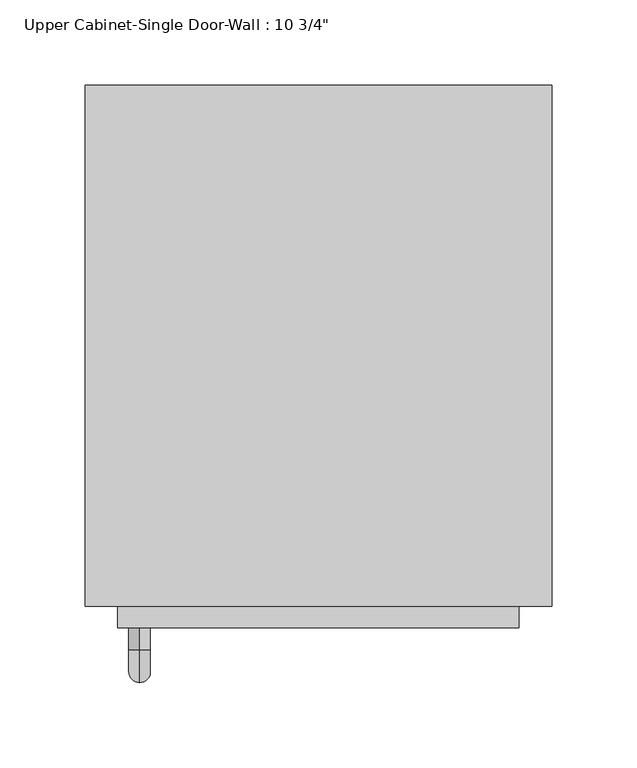
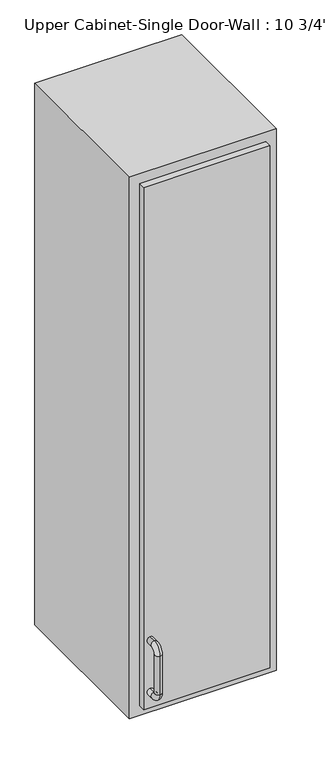
"""IFC4 building model written with IfcOpenShell, lengths in millimetres: furniture geometry."""

import ifcopenshell
import ifcopenshell.guid

model = None  # the IFC model being written
_history = None  # IfcOwnerHistory: only IFC2X3 demands one
_inside = {}  # id of a spatial element -> (the spatial element, [elements in it])
_under = {}  # id of a project, library or spatial element -> (it, [spatial elements below it])
_declared = {}  # id of a project -> (the project, [libraries it declares])
_typed = {}  # id of a type object -> (the type object, [elements of that type])
_made_of = {}  # id of a material, layer set ... -> (it, [elements and type objects made of it])


def new_model(schema):
    """Start an empty IFC model of exactly this schema.

    Asked for "IFC4X3", IfcOpenShell would pick the latest addendum, in which some entities
    have other attributes; the version numbers below select the first issue.
    IFC2X3 requires an IfcOwnerHistory on every rooted entity: one is made here for all.
    """
    global model, _history
    if schema == "IFC4X3":
        model = ifcopenshell.file(schema_version=(4, 3, 0, 0))
    else:
        model = ifcopenshell.file(schema=schema)
    _inside.clear()
    _under.clear()
    _declared.clear()
    _typed.clear()
    _made_of.clear()
    _history = None
    if model.schema == "IFC2X3":
        org = make("IfcOrganization", Name="unknown")
        user = make(
            "IfcPersonAndOrganization",
            ThePerson=make("IfcPerson", FamilyName="unknown"),
            TheOrganization=org,
        )
        app = make(
            "IfcApplication",
            ApplicationDeveloper=org,
            Version="unknown",
            ApplicationFullName="unknown",
            ApplicationIdentifier="unknown",
        )
        _history = make(
            "IfcOwnerHistory",
            OwningUser=user,
            OwningApplication=app,
            ChangeAction="ADDED",
            CreationDate=0,
        )
    return model


def make(cls, **values):
    """One entity of the class cls with the attributes given. An attribute that is None is left unset."""
    return model.create_entity(
        cls, **{name: value for name, value in values.items() if value is not None}
    )


def rooted(cls, **values):
    """An entity with a GlobalId (a new one), such as an element, a storey or a relation."""
    return make(cls, GlobalId=ifcopenshell.guid.new(), OwnerHistory=_history, **values)


def si_unit(unit_type, name, prefix=None):
    """IfcSIUnit, for example si_unit("LENGTHUNIT", "METRE", prefix="MILLI")."""
    return make("IfcSIUnit", UnitType=unit_type, Prefix=prefix, Name=name)


def assignment(units):
    """IfcUnitAssignment: the units of a project."""
    return None if units is None else make("IfcUnitAssignment", Units=units)


def point(xyz):
    """IfcCartesianPoint."""
    return None if xyz is None else make("IfcCartesianPoint", Coordinates=xyz)


def direction(xyz):
    """IfcDirection."""
    return None if xyz is None else make("IfcDirection", DirectionRatios=xyz)


def frame(location, z_axis=None, x_axis=None):
    """IfcAxis2Placement3D, a coordinate frame: its origin and axes. An axis left out is left unset."""
    return make(
        "IfcAxis2Placement3D",
        Location=point(location),
        Axis=direction(z_axis),
        RefDirection=direction(x_axis),
    )


def origin():
    """The frame at (0, 0, 0) with its axes left unset."""
    return frame((0.0, 0.0, 0.0))


def place(relative_to, where):
    """IfcLocalPlacement: puts the frame where relative to a parent placement (None: the world)."""
    return make(
        "IfcLocalPlacement", PlacementRelTo=relative_to, RelativePlacement=where
    )


def context(
    kind, dimensions, precision=None, world=None, true_north=None, identifier=None
):
    """IfcGeometricRepresentationContext, for example the 3D "Model" context."""
    return make(
        "IfcGeometricRepresentationContext",
        ContextIdentifier=identifier,
        ContextType=kind,
        CoordinateSpaceDimension=dimensions,
        Precision=precision,
        WorldCoordinateSystem=world,
        TrueNorth=true_north,
    )


def project(units=None, contexts=None):
    """IfcProject with its units and contexts."""
    return rooted(
        "IfcProject",
        Name="project",
        RepresentationContexts=contexts,
        UnitsInContext=assignment(units),
    )


def spatial(cls, under=None, at=None, **own):
    """A site, building, storey or space (cls), placed at a placement, below another one or the project."""
    s = rooted(cls, ObjectPlacement=at, **own)
    if under is not None:
        _under.setdefault(under.id(), (under, []))[1].append(s)
    return s


def polyline(points):
    """IfcPolyline through the points."""
    return make("IfcPolyline", Points=[point(p) for p in points])


def circle_curve(where, radius):
    """IfcCircle in the frame where."""
    return make("IfcCircle", Position=where, Radius=radius)


def ellipse_curve(where, semi_axis1, semi_axis2):
    """IfcEllipse in the frame where."""
    return make(
        "IfcEllipse", Position=where, SemiAxis1=semi_axis1, SemiAxis2=semi_axis2
    )


def trimmed(basis, trim1, trim2, sense, master):
    """IfcTrimmedCurve: the piece of a basis curve between two trims."""
    return make(
        "IfcTrimmedCurve",
        BasisCurve=basis,
        Trim1=trim1,
        Trim2=trim2,
        SenseAgreement=sense,
        MasterRepresentation=master,
    )


def outline(outer, holes=None, kind="AREA"):
    """IfcArbitraryClosedProfileDef: a profile drawn as a closed curve; with holes, ...WithVoids."""
    if holes is None:
        return make("IfcArbitraryClosedProfileDef", ProfileType=kind, OuterCurve=outer)
    return make(
        "IfcArbitraryProfileDefWithVoids",
        ProfileType=kind,
        OuterCurve=outer,
        InnerCurves=holes,
    )


def extrude(swept, where, along, depth):
    """IfcExtrudedAreaSolid: the profile swept, set in the frame where, extruded along a direction by depth."""
    return make(
        "IfcExtrudedAreaSolid",
        SweptArea=swept,
        Position=where,
        ExtrudedDirection=direction(along),
        Depth=depth,
    )


def faces_of(points, faces, orient=None, outer=None):
    """IfcFace entities. A face is a list of loops; a loop is a list of indices into points, from 0.

    orient and outer hold one flag for each loop. By default every Orientation is true, the
    first loop of a face is its IfcFaceOuterBound and the others are IfcFaceBound.
    """
    made = []
    for i, loops in enumerate(faces):
        bounds = []
        for j, loop in enumerate(loops):
            is_outer = j == 0 if outer is None else outer[i][j]
            bounds.append(
                make(
                    "IfcFaceOuterBound" if is_outer else "IfcFaceBound",
                    Bound=make("IfcPolyLoop", Polygon=[points[k] for k in loop]),
                    Orientation=True if orient is None else orient[i][j],
                )
            )
        made.append(make("IfcFace", Bounds=bounds))
    return made


def faceted_brep(points, faces, orient=None, outer=None, voids=None):
    """IfcFacetedBrep: a solid bounded by flat faces; with voids (closed shells), ...WithVoids."""
    shared = [point(p) for p in points]
    hull = make("IfcClosedShell", CfsFaces=faces_of(shared, faces, orient, outer))
    if voids is None:
        return make("IfcFacetedBrep", Outer=hull)
    return make(
        "IfcFacetedBrepWithVoids",
        Outer=hull,
        Voids=[
            make(cls, CfsFaces=faces_of(shared, fs, o, b)) for cls, fs, o, b in voids
        ],
    )


def shape(context_of_items, identifier, shape_type, items):
    """IfcShapeRepresentation: the items that make up one representation, for example the "Body"."""
    return make(
        "IfcShapeRepresentation",
        ContextOfItems=context_of_items,
        RepresentationIdentifier=identifier,
        RepresentationType=shape_type,
        Items=items,
    )


def source(mapping_origin, context_of_items, identifier, shape_type, items):
    """IfcRepresentationMap: a shape defined once, which mapped items show again and again."""
    return make(
        "IfcRepresentationMap",
        MappingOrigin=mapping_origin,
        MappedRepresentation=shape(context_of_items, identifier, shape_type, items),
    )


def transform(
    local_origin,
    x_axis=None,
    y_axis=None,
    z_axis=None,
    scale=None,
    scale2=None,
    scale3=None,
    uniform=True,
):
    """IfcCartesianTransformationOperator3D, or its non-uniform kind. x_axis, y_axis, z_axis: its Axis1, 2, 3."""
    if uniform:
        return make(
            "IfcCartesianTransformationOperator3D",
            Axis1=direction(x_axis),
            Axis2=direction(y_axis),
            LocalOrigin=point(local_origin),
            Scale=scale,
            Axis3=direction(z_axis),
        )
    return make(
        "IfcCartesianTransformationOperator3DnonUniform",
        Axis1=direction(x_axis),
        Axis2=direction(y_axis),
        LocalOrigin=point(local_origin),
        Scale=scale,
        Axis3=direction(z_axis),
        Scale2=scale2,
        Scale3=scale3,
    )


def mapped(mapping_source, mapping_target):
    """IfcMappedItem: shows the shape of a source again, moved by a transform."""
    return make(
        "IfcMappedItem", MappingSource=mapping_source, MappingTarget=mapping_target
    )


def made_of(thing, what):
    """Note that an element or type object is made of a material, layer set ...; save() writes the relation."""
    if what is not None:
        _made_of.setdefault(what.id(), (what, []))[1].append(thing)
    return thing


def element(
    cls,
    number,
    at=None,
    inside=None,
    cuts=None,
    type_object=None,
    material=None,
    context=None,
    identifier="Body",
    shape_type=None,
    held_by="IfcProductDefinitionShape",
    body=None,
    shapes=None,
    **own,
):
    """One element of the class cls, such as IfcWall. Its Tag is "e" and its number.

    at: its placement. inside: the storey or other place that contains it. cuts: it is an
    opening in that element (IfcRelVoidsElement). A single representation is given by context,
    identifier, shape_type and body (its items); several are given by shapes. held_by: the class
    of the entity that holds the representations. save() writes the other relations.
    """
    e = rooted(cls, Tag="e%d" % number, ObjectPlacement=at, **own)
    if body is not None:
        shapes = [shape(context, identifier, shape_type, body)]
    if shapes is not None:
        e.Representation = make(held_by, Representations=shapes)
    if inside is not None:
        _inside.setdefault(inside.id(), (inside, []))[1].append(e)
    if cuts is not None:
        rooted(
            "IfcRelVoidsElement", RelatingBuildingElement=cuts, RelatedOpeningElement=e
        )
    if type_object is not None:
        _typed.setdefault(type_object.id(), (type_object, []))[1].append(e)
    return made_of(e, material)


def aggregate(whole, parts):
    """IfcRelAggregates: a whole, such as a stair, and the parts it consists of."""
    return rooted("IfcRelAggregates", RelatingObject=whole, RelatedObjects=parts)


def save(model, path):
    """Write the relations noted so far, then the file.

    IfcRelAggregates (storeys below a building ...), IfcRelContainedInSpatialStructure (elements
    in a storey), IfcRelDefinesByType, IfcRelAssociatesMaterial and IfcRelDeclares: one each for
    every whole, place, type object, material and project.
    """
    for whole, parts in _under.values():
        aggregate(whole, parts)
    for where, things in _inside.values():
        rooted(
            "IfcRelContainedInSpatialStructure",
            RelatedElements=things,
            RelatingStructure=where,
        )
    for kind, things in _typed.values():
        rooted("IfcRelDefinesByType", RelatedObjects=things, RelatingType=kind)
    for what, things in _made_of.values():
        rooted("IfcRelAssociatesMaterial", RelatedObjects=things, RelatingMaterial=what)
    for by, libraries in _declared.values():
        rooted("IfcRelDeclares", RelatingContext=by, RelatedDefinitions=libraries)
    model.write(path)


def plane_surface(at):
    """IfcPlane: the flat surface through the origin of the frame at, square to its z axis."""
    return make("IfcPlane", Position=at)


def cylinder_surface(at, radius):
    """IfcCylindricalSurface: all points at the distance radius from the z axis of the frame at."""
    return make("IfcCylindricalSurface", Position=at, Radius=radius)


def revolved_surface(curve, axis_point, axis_direction):
    """IfcSurfaceOfRevolution: the curve turned about the line through axis_point along axis_direction."""
    return make(
        "IfcSurfaceOfRevolution",
        SweptCurve=make("IfcArbitraryOpenProfileDef", ProfileType="CURVE", Curve=curve),
        AxisPosition=make("IfcAxis1Placement", Location=point(axis_point), Axis=direction(axis_direction)),
    )


def advanced_brep(points, edges, surfaces, faces):
    """IfcAdvancedBrep: a solid bounded by faces that lie on surfaces and meet in shared edges.

    An edge is (start, end): straight between two places in points (the first is 0);
    or (start, end, curve); or (start, end, curve, False) where it runs against its curve.
    A face is (place in surfaces, loops), or (place, loops, False) where it looks against
    its surface's normal. A loop lists edges by number (the first is 1), with a minus sign
    where the edge is run from its end to its start. The first loop is the outer one.
    """
    corners = [point(p) for p in points]
    vertices = [make("IfcVertexPoint", VertexGeometry=c) for c in corners]
    made = []
    for start, end, *more in edges:
        made.append(
            make(
                "IfcEdgeCurve",
                EdgeStart=vertices[start],
                EdgeEnd=vertices[end],
                EdgeGeometry=more[0] if more else make("IfcPolyline", Points=[corners[start], corners[end]]),
                SameSense=more[1] if len(more) > 1 else True,
            )
        )
    hull = []
    for where, loops, *sense in faces:
        bounds = []
        for j, loop in enumerate(loops):
            ring = [make("IfcOrientedEdge", EdgeElement=made[abs(k) - 1], Orientation=k > 0) for k in loop]
            bounds.append(
                make(
                    "IfcFaceOuterBound" if j == 0 else "IfcFaceBound",
                    Bound=make("IfcEdgeLoop", EdgeList=ring),
                    Orientation=True,
                )
            )
        hull.append(make("IfcAdvancedFace", Bounds=bounds, FaceSurface=surfaces[where], SameSense=sense[0] if sense else True))
    return make("IfcAdvancedBrep", Outer=make("IfcClosedShell", CfsFaces=hull))


def furniture_226891bd(model_context):
    return source(origin(), model_context, "Body", "SolidModel", [
        faceted_brep([(-106.7538372, -53.975, 2133.6), (166.2961628, -53.975, 2133.6), (166.2961628, -53.975, 1066.8), (-106.7538372, -53.975, 1066.8), (-106.7538372, -358.775, 2133.6), (-106.7538372, -358.775, 1066.8), (166.2961628, -358.775, 1066.8), (166.2961628, -358.775, 2133.6), (-87.7038372, -358.775, 2114.55), (147.2461628, -358.775, 2114.55), (147.2461628, -358.775, 1085.85), (-87.7038372, -358.775, 1085.85), (-87.7038372, -73.025, 2114.55), (147.2461628, -73.025, 2114.55), (147.2461628, -73.025, 1085.85), (-87.7038372, -73.025, 1085.85)], [[[0, 1, 2, 3]], [[4, 5, 6, 7], [8, 9, 10, 11]], [[3, 5, 4, 0]], [[2, 6, 5, 3]], [[1, 7, 6, 2]], [[0, 4, 7, 1]], [[8, 12, 13, 9]], [[9, 13, 14, 10]], [[10, 14, 15, 11]], [[11, 15, 12, 8]], [[12, 15, 14, 13]]]),
        advanced_brep(
        [(-75.0038372, -371.475, 1212.85), (-75.0038372, -371.475, 1225.55), (-75.0038372, -384.175, 1225.55), (-75.0038372, -384.175, 1212.85), (-75.0038372, -403.225, 1206.5), (-75.0038372, -390.525, 1206.5), (-75.0038372, -403.225, 1130.3), (-75.0038372, -390.525, 1130.3), (-75.0038372, -384.175, 1111.25), (-75.0038372, -384.175, 1123.95), (-75.0038372, -371.475, 1123.95), (-75.0038372, -371.475, 1111.25)],
        [
            (0, 1, circle_curve(frame((-75.0038372, -371.475, 1219.2), z_axis=(0.0, 1.0, 0.0), x_axis=(0.0, 0.0, 1.0)), 6.35)),
            (1, 0, circle_curve(frame((-75.0038372, -371.475, 1219.2), z_axis=(0.0, 1.0, 0.0), x_axis=(0.0, 0.0, 1.0)), 6.35)),
            (1, 2),
            (2, 3, circle_curve(frame((-75.0038372, -384.175, 1219.2), z_axis=(0.0, 1.0, 0.0), x_axis=(0.0, 0.0, 1.0)), 6.35)),
            (3, 0),
            (3, 2, circle_curve(frame((-75.0038372, -384.175, 1219.2), z_axis=(0.0, 1.0, 0.0), x_axis=(0.0, 0.0, 1.0)), 6.35)),
            (4, 5, circle_curve(frame((-75.0038372, -396.875, 1206.5), z_axis=(0.0, 0.0, 1.0), x_axis=(0.0, -1.0, 0.0)), 6.35)),
            (5, 3, circle_curve(frame((-75.0038372, -384.175, 1206.5), z_axis=(-1.0, 0.0, 0.0), x_axis=(0.0, 0.0, 1.0)), 6.35)),
            (2, 4, circle_curve(frame((-75.0038372, -384.175, 1206.5), z_axis=(1.0, 0.0, 0.0), x_axis=(0.0, 0.0, 1.0)), 19.05)),
            (5, 4, circle_curve(frame((-75.0038372, -396.875, 1206.5), z_axis=(0.0, 0.0, 1.0), x_axis=(0.0, -1.0, 0.0)), 6.35)),
            (4, 6),
            (6, 7, circle_curve(frame((-75.0038372, -396.875, 1130.3), z_axis=(0.0, 0.0, 1.0), x_axis=(0.0, -1.0, 0.0)), 6.35)),
            (7, 5),
            (7, 6, circle_curve(frame((-75.0038372, -396.875, 1130.3), z_axis=(0.0, 0.0, 1.0), x_axis=(0.0, -1.0, 0.0)), 6.35)),
            (8, 9, circle_curve(frame((-75.0038372, -384.175, 1117.6), z_axis=(0.0, -1.0, 0.0), x_axis=(0.0, 0.0, -1.0)), 6.35)),
            (9, 7, circle_curve(frame((-75.0038372, -384.175, 1130.3), z_axis=(-1.0, 0.0, 0.0), x_axis=(0.0, -1.0, 0.0)), 6.35)),
            (6, 8, circle_curve(frame((-75.0038372, -384.175, 1130.3), z_axis=(1.0, 0.0, 0.0), x_axis=(0.0, -1.0, 0.0)), 19.05)),
            (9, 8, circle_curve(frame((-75.0038372, -384.175, 1117.6), z_axis=(0.0, -1.0, 0.0), x_axis=(0.0, 0.0, -1.0)), 6.35)),
            (10, 11, circle_curve(frame((-75.0038372, -371.475, 1117.6), z_axis=(0.0, 1.0, 0.0), x_axis=(0.0, 0.0, -1.0)), 6.35)),
            (11, 10, circle_curve(frame((-75.0038372, -371.475, 1117.6), z_axis=(0.0, 1.0, 0.0), x_axis=(0.0, 0.0, -1.0)), 6.35)),
            (8, 11),
            (10, 9),
        ],
        [
            plane_surface(frame((-81.3538372, -371.475, 1219.2), z_axis=(0.0, 1.0, 0.0), x_axis=(0.0, 0.0, 1.0))),
            cylinder_surface(frame((-75.0038372, -371.475, 1219.2), z_axis=(0.0, 1.0, 0.0), x_axis=(0.0, 0.0, 1.0)), 6.35),
            revolved_surface(trimmed(ellipse_curve(frame((-75.0038372, -384.175, 1219.2), z_axis=(0.0, -1.0, 0.0), x_axis=(0.0, 0.0, 1.0)), 6.35, 6.35), [point((-75.0038372, -384.175, 1212.85))], [point((-75.0038372, -384.175, 1225.55))], True, "CARTESIAN"), (-75.0038372, -384.175, 1206.5), (-1.0, 0.0, 0.0)),
            revolved_surface(trimmed(ellipse_curve(frame((-75.0038372, -384.175, 1219.2), z_axis=(0.0, -1.0, 0.0), x_axis=(0.0, 0.0, 1.0)), 6.35, 6.35), [point((-75.0038372, -384.175, 1225.55))], [point((-75.0038372, -384.175, 1212.85))], True, "CARTESIAN"), (-75.0038372, -384.175, 1206.5), (-1.0, 0.0, 0.0)),
            cylinder_surface(frame((-75.0038372, -396.875, 1206.5), z_axis=(0.0, 0.0, 1.0), x_axis=(0.0, -1.0, 0.0)), 6.35),
            revolved_surface(trimmed(ellipse_curve(frame((-75.0038372, -396.875, 1130.3), z_axis=(0.0, 0.0, -1.0), x_axis=(0.0, -1.0, 0.0)), 6.35, 6.35), [point((-75.0038372, -390.525, 1130.3))], [point((-75.0038372, -403.225, 1130.3))], True, "CARTESIAN"), (-75.0038372, -384.175, 1130.3), (-1.0, 0.0, 0.0)),
            revolved_surface(trimmed(ellipse_curve(frame((-75.0038372, -396.875, 1130.3), z_axis=(0.0, 0.0, -1.0), x_axis=(0.0, -1.0, 0.0)), 6.35, 6.35), [point((-75.0038372, -403.225, 1130.3))], [point((-75.0038372, -390.525, 1130.3))], True, "CARTESIAN"), (-75.0038372, -384.175, 1130.3), (-1.0, 0.0, 0.0)),
            plane_surface(frame((-81.3538372, -371.475, 1117.6), z_axis=(0.0, 1.0, 0.0), x_axis=(0.0, 0.0, -1.0))),
            cylinder_surface(frame((-75.0038372, -384.175, 1117.6), z_axis=(0.0, -1.0, 0.0), x_axis=(0.0, 0.0, -1.0)), 6.35),
        ],
        [
            (0, [[1, 2]]),
            (1, [[3, 4, 5, -2]]),
            (1, [[-5, 6, -3, -1]]),
            (2, [[7, 8, -4, 9]]),
            (3, [[10, -9, -6, -8]]),
            (4, [[11, 12, 13, -7]]),
            (4, [[-13, 14, -11, -10]]),
            (5, [[15, 16, -12, 17]]),
            (6, [[18, -17, -14, -16]]),
            (7, [[19, 20]]),
            (8, [[21, -19, 22, -15]]),
            (8, [[-22, -20, -21, -18]]),
        ],
    ),
        extrude(outline(polyline([(-87.7038372, -371.475), (-87.7038372, -339.725), (147.2461628, -339.725), (147.2461628, -371.475), (-87.7038372, -371.475)])), frame((0.0, 0.0, 1085.85), z_axis=(0.0, 0.0, 1.0), x_axis=(1.0, 0.0, 0.0)), (0.0, 0.0, 1.0), 1028.7),
    ])


if __name__ == "__main__":
    model = new_model("IFC4")
    model_context = context("Model", 3, world=origin())
    ifc_project = project(units=[si_unit("LENGTHUNIT", "METRE", prefix="MILLI")], contexts=[model_context])
    site = spatial("IfcSite", under=ifc_project)
    building = spatial("IfcBuilding", under=site)
    placement = place(None, origin())
    furniture_shape = furniture_226891bd(model_context)
    element("IfcFurniture", 1, ObjectType="Upper Cabinet-Single Door-Wall : 10 3/4\"", at=placement, inside=building, context=model_context, shape_type="MappedRepresentation", body=[
        mapped(furniture_shape, transform((0.0, 0.0, 0.0), x_axis=(1.0, 0.0, 0.0), y_axis=(0.0, 1.0, 0.0), z_axis=(0.0, 0.0, 1.0))),
    ])
    save(model, "model.ifc")
